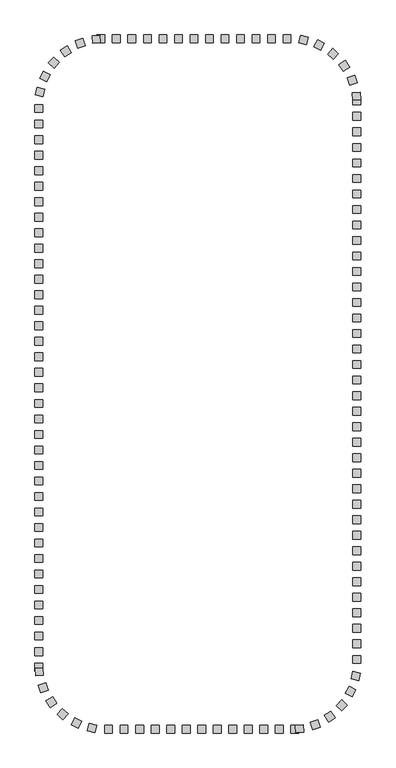
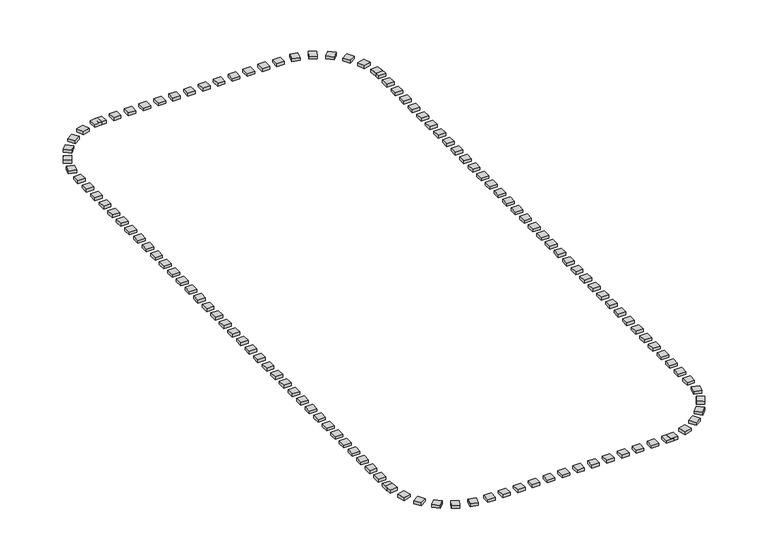
"""IFC4 building model written with IfcOpenShell, lengths in millimetres: railing geometry."""

from ifc_helpers import new_model, si_unit, origin, origin_with_axes, place, context, project, spatial, polyline, outline, extrude, source, transform, mapped, element, save


def railing_e2c04a3e(model_context):
    return source(origin(), model_context, "Body", "SweptSolid", [
        extrude(outline(polyline([(-34627.5176302, 2754.6603569), (-34627.5176302, 2254.6603569), (-35127.5176302, 2254.6603569), (-35127.5176302, 2754.6603569), (-34627.5176302, 2754.6603569)])), origin_with_axes(), (0.0, 0.0, 1.0), 200.0),
        extrude(outline(polyline([(-35627.5176302, 2754.6603569), (-35627.5176302, 2254.6603569), (-36127.5176302, 2254.6603569), (-36127.5176302, 2754.6603569), (-35627.5176302, 2754.6603569)])), origin_with_axes(), (0.0, 0.0, 1.0), 200.0),
        extrude(outline(polyline([(-36627.5176302, 2754.6603569), (-36627.5176302, 2254.6603569), (-37127.5176302, 2254.6603569), (-37127.5176302, 2754.6603569), (-36627.5176302, 2754.6603569)])), origin_with_axes(), (0.0, 0.0, 1.0), 200.0),
        extrude(outline(polyline([(-37627.5176302, 2754.6603569), (-37627.5176302, 2254.6603569), (-38127.5176302, 2254.6603569), (-38127.5176302, 2754.6603569), (-37627.5176302, 2754.6603569)])), origin_with_axes(), (0.0, 0.0, 1.0), 200.0),
        extrude(outline(polyline([(-38627.5176302, 2754.6603569), (-38627.5176302, 2254.6603569), (-39127.5176302, 2254.6603569), (-39127.5176302, 2754.6603569), (-38627.5176302, 2754.6603569)])), origin_with_axes(), (0.0, 0.0, 1.0), 200.0),
        extrude(outline(polyline([(-39627.5176302, 2754.6603569), (-39627.5176302, 2254.6603569), (-40127.5176302, 2254.6603569), (-40127.5176302, 2754.6603569), (-39627.5176302, 2754.6603569)])), origin_with_axes(), (0.0, 0.0, 1.0), 200.0),
        extrude(outline(polyline([(-40627.5176302, 2754.6603569), (-40627.5176302, 2254.6603569), (-41127.5176302, 2254.6603569), (-41127.5176302, 2754.6603569), (-40627.5176302, 2754.6603569)])), origin_with_axes(), (0.0, 0.0, 1.0), 200.0),
        extrude(outline(polyline([(-41627.5176302, 2754.6603569), (-41627.5176302, 2254.6603569), (-42127.5176302, 2254.6603569), (-42127.5176302, 2754.6603569), (-41627.5176302, 2754.6603569)])), origin_with_axes(), (0.0, 0.0, 1.0), 200.0),
        extrude(outline(polyline([(-42627.5176302, 2754.6603569), (-42627.5176302, 2254.6603569), (-43127.5176302, 2254.6603569), (-43127.5176302, 2754.6603569), (-42627.5176302, 2754.6603569)])), origin_with_axes(), (0.0, 0.0, 1.0), 200.0),
        extrude(outline(polyline([(-43627.5176302, 2754.6603569), (-43627.5176302, 2254.6603569), (-44127.5176302, 2254.6603569), (-44127.5176302, 2754.6603569), (-43627.5176302, 2754.6603569)])), origin_with_axes(), (0.0, 0.0, 1.0), 200.0),
        extrude(outline(polyline([(-44627.5176302, 2754.6603569), (-44627.5176302, 2254.6603569), (-45127.5176302, 2254.6603569), (-45127.5176302, 2754.6603569), (-44627.5176302, 2754.6603569)])), origin_with_axes(), (0.0, 0.0, 1.0), 200.0),
        extrude(outline(polyline([(-45945.8350377, 2743.3877966), (-45910.4664368, 2244.6403033), (-46409.2139301, 2209.2717025), (-46444.582531, 2708.0191958), (-45945.8350377, 2743.3877966)])), origin_with_axes(), (0.0, 0.0, 1.0), 200.0),
        extrude(outline(polyline([(-47046.4682609, 2525.091144), (-46888.8070797, 2050.5988343), (-47363.2993894, 1892.9376531), (-47520.9605706, 2367.4299628), (-47046.4682609, 2525.091144)])), origin_with_axes(), (0.0, 0.0, 1.0), 200.0),
        extrude(outline(polyline([(-48058.8780066, 2041.2797885), (-47788.7268536, 1620.5442961), (-48209.462346, 1350.3931432), (-48479.613499, 1771.1286356), (-48058.8780066, 2041.2797885)])), origin_with_axes(), (0.0, 0.0, 1.0), 200.0),
        extrude(outline(polyline([(-48920.1175401, 1322.034777), (-48554.2731056, 981.215397), (-48895.0924857, 615.3709625), (-49260.9369201, 956.1903425), (-48920.1175401, 1322.034777)])), origin_with_axes(), (0.0, 0.0, 1.0), 200.0),
        extrude(outline(polyline([(-49576.6391587, 412.0752806), (-49137.8478777, 172.3625113), (-49377.560647, -266.4287697), (-49816.351928, -26.7160004), (-49576.6391587, 412.0752806)])), origin_with_axes(), (0.0, 0.0, 1.0), 200.0),
        extrude(outline(polyline([(-49987.6235278, -632.0218265), (-49503.167317, -755.7238061), (-49626.8692966, -1240.180017), (-50111.3255075, -1116.4780373), (-49987.6235278, -632.0218265)])), origin_with_axes(), (0.0, 0.0, 1.0), 200.0),
        extrude(outline(polyline([(-50127.5176302, -2745.3396431), (-49627.5176302, -2745.3396431), (-49627.5176302, -3245.3396431), (-50127.5176302, -3245.3396431), (-50127.5176302, -2745.3396431)])), origin_with_axes(), (0.0, 0.0, 1.0), 200.0),
        extrude(outline(polyline([(-50127.5176302, -3745.3396431), (-49627.5176302, -3745.3396431), (-49627.5176302, -4245.3396431), (-50127.5176302, -4245.3396431), (-50127.5176302, -3745.3396431)])), origin_with_axes(), (0.0, 0.0, 1.0), 200.0),
        extrude(outline(polyline([(-50127.5176302, -4745.3396431), (-49627.5176302, -4745.3396431), (-49627.5176302, -5245.3396431), (-50127.5176302, -5245.3396431), (-50127.5176302, -4745.3396431)])), origin_with_axes(), (0.0, 0.0, 1.0), 200.0),
        extrude(outline(polyline([(-50127.5176302, -5745.3396431), (-49627.5176302, -5745.3396431), (-49627.5176302, -6245.3396431), (-50127.5176302, -6245.3396431), (-50127.5176302, -5745.3396431)])), origin_with_axes(), (0.0, 0.0, 1.0), 200.0),
        extrude(outline(polyline([(-50127.5176302, -6745.3396431), (-49627.5176302, -6745.3396431), (-49627.5176302, -7245.3396431), (-50127.5176302, -7245.3396431), (-50127.5176302, -6745.3396431)])), origin_with_axes(), (0.0, 0.0, 1.0), 200.0),
        extrude(outline(polyline([(-50127.5176302, -7745.3396431), (-49627.5176302, -7745.3396431), (-49627.5176302, -8245.3396431), (-50127.5176302, -8245.3396431), (-50127.5176302, -7745.3396431)])), origin_with_axes(), (0.0, 0.0, 1.0), 200.0),
        extrude(outline(polyline([(-50127.5176302, -8745.3396431), (-49627.5176302, -8745.3396431), (-49627.5176302, -9245.3396431), (-50127.5176302, -9245.3396431), (-50127.5176302, -8745.3396431)])), origin_with_axes(), (0.0, 0.0, 1.0), 200.0),
        extrude(outline(polyline([(-50127.5176302, -9745.3396431), (-49627.5176302, -9745.3396431), (-49627.5176302, -10245.3396431), (-50127.5176302, -10245.3396431), (-50127.5176302, -9745.3396431)])), origin_with_axes(), (0.0, 0.0, 1.0), 200.0),
        extrude(outline(polyline([(-50127.5176302, -10745.3396431), (-49627.5176302, -10745.3396431), (-49627.5176302, -11245.3396431), (-50127.5176302, -11245.3396431), (-50127.5176302, -10745.3396431)])), origin_with_axes(), (0.0, 0.0, 1.0), 200.0),
        extrude(outline(polyline([(-50127.5176302, -11745.3396431), (-49627.5176302, -11745.3396431), (-49627.5176302, -12245.3396431), (-50127.5176302, -12245.3396431), (-50127.5176302, -11745.3396431)])), origin_with_axes(), (0.0, 0.0, 1.0), 200.0),
        extrude(outline(polyline([(-50127.5176302, -12745.3396431), (-49627.5176302, -12745.3396431), (-49627.5176302, -13245.3396431), (-50127.5176302, -13245.3396431), (-50127.5176302, -12745.3396431)])), origin_with_axes(), (0.0, 0.0, 1.0), 200.0),
        extrude(outline(polyline([(-50127.5176302, -13745.3396431), (-49627.5176302, -13745.3396431), (-49627.5176302, -14245.3396431), (-50127.5176302, -14245.3396431), (-50127.5176302, -13745.3396431)])), origin_with_axes(), (0.0, 0.0, 1.0), 200.0),
        extrude(outline(polyline([(-50127.5176302, -14745.3396431), (-49627.5176302, -14745.3396431), (-49627.5176302, -15245.3396431), (-50127.5176302, -15245.3396431), (-50127.5176302, -14745.3396431)])), origin_with_axes(), (0.0, 0.0, 1.0), 200.0),
        extrude(outline(polyline([(-50127.5176302, -15745.3396431), (-49627.5176302, -15745.3396431), (-49627.5176302, -16245.3396431), (-50127.5176302, -16245.3396431), (-50127.5176302, -15745.3396431)])), origin_with_axes(), (0.0, 0.0, 1.0), 200.0),
        extrude(outline(polyline([(-50127.5176302, -16745.3396431), (-49627.5176302, -16745.3396431), (-49627.5176302, -17245.3396431), (-50127.5176302, -17245.3396431), (-50127.5176302, -16745.3396431)])), origin_with_axes(), (0.0, 0.0, 1.0), 200.0),
        extrude(outline(polyline([(-50127.5176302, -17745.3396431), (-49627.5176302, -17745.3396431), (-49627.5176302, -18245.3396431), (-50127.5176302, -18245.3396431), (-50127.5176302, -17745.3396431)])), origin_with_axes(), (0.0, 0.0, 1.0), 200.0),
        extrude(outline(polyline([(-50127.5176302, -18745.3396431), (-49627.5176302, -18745.3396431), (-49627.5176302, -19245.3396431), (-50127.5176302, -19245.3396431), (-50127.5176302, -18745.3396431)])), origin_with_axes(), (0.0, 0.0, 1.0), 200.0),
        extrude(outline(polyline([(-50127.5176302, -19745.3396431), (-49627.5176302, -19745.3396431), (-49627.5176302, -20245.3396431), (-50127.5176302, -20245.3396431), (-50127.5176302, -19745.3396431)])), origin_with_axes(), (0.0, 0.0, 1.0), 200.0),
        extrude(outline(polyline([(-50127.5176302, -20745.3396431), (-49627.5176302, -20745.3396431), (-49627.5176302, -21245.3396431), (-50127.5176302, -21245.3396431), (-50127.5176302, -20745.3396431)])), origin_with_axes(), (0.0, 0.0, 1.0), 200.0),
        extrude(outline(polyline([(-50127.5176302, -21745.3396431), (-49627.5176302, -21745.3396431), (-49627.5176302, -22245.3396431), (-50127.5176302, -22245.3396431), (-50127.5176302, -21745.3396431)])), origin_with_axes(), (0.0, 0.0, 1.0), 200.0),
        extrude(outline(polyline([(-50127.5176302, -22745.3396431), (-49627.5176302, -22745.3396431), (-49627.5176302, -23245.3396431), (-50127.5176302, -23245.3396431), (-50127.5176302, -22745.3396431)])), origin_with_axes(), (0.0, 0.0, 1.0), 200.0),
        extrude(outline(polyline([(-50127.5176302, -23745.3396431), (-49627.5176302, -23745.3396431), (-49627.5176302, -24245.3396431), (-50127.5176302, -24245.3396431), (-50127.5176302, -23745.3396431)])), origin_with_axes(), (0.0, 0.0, 1.0), 200.0),
        extrude(outline(polyline([(-50127.5176302, -24745.3396431), (-49627.5176302, -24745.3396431), (-49627.5176302, -25245.3396431), (-50127.5176302, -25245.3396431), (-50127.5176302, -24745.3396431)])), origin_with_axes(), (0.0, 0.0, 1.0), 200.0),
        extrude(outline(polyline([(-50127.5176302, -25745.3396431), (-49627.5176302, -25745.3396431), (-49627.5176302, -26245.3396431), (-50127.5176302, -26245.3396431), (-50127.5176302, -25745.3396431)])), origin_with_axes(), (0.0, 0.0, 1.0), 200.0),
        extrude(outline(polyline([(-50127.5176302, -26745.3396431), (-49627.5176302, -26745.3396431), (-49627.5176302, -27245.3396431), (-50127.5176302, -27245.3396431), (-50127.5176302, -26745.3396431)])), origin_with_axes(), (0.0, 0.0, 1.0), 200.0),
        extrude(outline(polyline([(-50127.5176302, -27745.3396431), (-49627.5176302, -27745.3396431), (-49627.5176302, -28245.3396431), (-50127.5176302, -28245.3396431), (-50127.5176302, -27745.3396431)])), origin_with_axes(), (0.0, 0.0, 1.0), 200.0),
        extrude(outline(polyline([(-50127.5176302, -28745.3396431), (-49627.5176302, -28745.3396431), (-49627.5176302, -29245.3396431), (-50127.5176302, -29245.3396431), (-50127.5176302, -28745.3396431)])), origin_with_axes(), (0.0, 0.0, 1.0), 200.0),
        extrude(outline(polyline([(-50127.5176302, -29745.3396431), (-49627.5176302, -29745.3396431), (-49627.5176302, -30245.3396431), (-50127.5176302, -30245.3396431), (-50127.5176302, -29745.3396431)])), origin_with_axes(), (0.0, 0.0, 1.0), 200.0),
        extrude(outline(polyline([(-50127.5176302, -30745.3396431), (-49627.5176302, -30745.3396431), (-49627.5176302, -31245.3396431), (-50127.5176302, -31245.3396431), (-50127.5176302, -30745.3396431)])), origin_with_axes(), (0.0, 0.0, 1.0), 200.0),
        extrude(outline(polyline([(-50127.5176302, -31745.3396431), (-49627.5176302, -31745.3396431), (-49627.5176302, -32245.3396431), (-50127.5176302, -32245.3396431), (-50127.5176302, -31745.3396431)])), origin_with_axes(), (0.0, 0.0, 1.0), 200.0),
        extrude(outline(polyline([(-50127.5176302, -32745.3396431), (-49627.5176302, -32745.3396431), (-49627.5176302, -33245.3396431), (-50127.5176302, -33245.3396431), (-50127.5176302, -32745.3396431)])), origin_with_axes(), (0.0, 0.0, 1.0), 200.0),
        extrude(outline(polyline([(-50127.5176302, -33745.3396431), (-49627.5176302, -33745.3396431), (-49627.5176302, -34245.3396431), (-50127.5176302, -34245.3396431), (-50127.5176302, -33745.3396431)])), origin_with_axes(), (0.0, 0.0, 1.0), 200.0),
        extrude(outline(polyline([(-50127.5176302, -34745.3396431), (-49627.5176302, -34745.3396431), (-49627.5176302, -35245.3396431), (-50127.5176302, -35245.3396431), (-50127.5176302, -34745.3396431)])), origin_with_axes(), (0.0, 0.0, 1.0), 200.0),
        extrude(outline(polyline([(-50127.5176302, -35745.3396431), (-49627.5176302, -35745.3396431), (-49627.5176302, -36245.3396431), (-50127.5176302, -36245.3396431), (-50127.5176302, -35745.3396431)])), origin_with_axes(), (0.0, 0.0, 1.0), 200.0),
        extrude(outline(polyline([(-50127.5176302, -36745.3396431), (-49627.5176302, -36745.3396431), (-49627.5176302, -37245.3396431), (-50127.5176302, -37245.3396431), (-50127.5176302, -36745.3396431)])), origin_with_axes(), (0.0, 0.0, 1.0), 200.0),
        extrude(outline(polyline([(-50116.2450699, -38063.6570506), (-49617.4975766, -38028.2884498), (-49582.1289757, -38527.0359431), (-50080.876469, -38562.4045439), (-50116.2450699, -38063.6570506)])), origin_with_axes(), (0.0, 0.0, 1.0), 200.0),
        extrude(outline(polyline([(-49897.9484173, -39164.2902739), (-49423.4561076, -39006.6290927), (-49265.7949264, -39481.1214024), (-49740.2872361, -39638.7825836), (-49897.9484173, -39164.2902739)])), origin_with_axes(), (0.0, 0.0, 1.0), 200.0),
        extrude(outline(polyline([(-49414.1370618, -40176.7000195), (-48993.4015694, -39906.5488666), (-48723.2504164, -40327.284359), (-49143.9859089, -40597.4355119), (-49414.1370618, -40176.7000195)])), origin_with_axes(), (0.0, 0.0, 1.0), 200.0),
        extrude(outline(polyline([(-48694.8920503, -41037.9395531), (-48354.0726702, -40672.0951186), (-47988.2282358, -41012.9144986), (-48329.0476158, -41378.7589331), (-48694.8920503, -41037.9395531)])), origin_with_axes(), (0.0, 0.0, 1.0), 200.0),
        extrude(outline(polyline([(-47784.9325539, -41694.4611716), (-47545.2197846, -41255.6698907), (-47106.4285036, -41495.38266), (-47346.1412729, -41934.1739409), (-47784.9325539, -41694.4611716)])), origin_with_axes(), (0.0, 0.0, 1.0), 200.0),
        extrude(outline(polyline([(-46740.8354468, -42105.4455408), (-46617.1334672, -41620.98933), (-46132.6772563, -41744.6913096), (-46256.3792359, -42229.1475205), (-46740.8354468, -42105.4455408)])), origin_with_axes(), (0.0, 0.0, 1.0), 200.0),
        extrude(outline(polyline([(-44627.5176302, -42245.3396431), (-44627.5176302, -41745.3396431), (-44127.5176302, -41745.3396431), (-44127.5176302, -42245.3396431), (-44627.5176302, -42245.3396431)])), origin_with_axes(), (0.0, 0.0, 1.0), 200.0),
        extrude(outline(polyline([(-43627.5176302, -42245.3396431), (-43627.5176302, -41745.3396431), (-43127.5176302, -41745.3396431), (-43127.5176302, -42245.3396431), (-43627.5176302, -42245.3396431)])), origin_with_axes(), (0.0, 0.0, 1.0), 200.0),
        extrude(outline(polyline([(-42627.5176302, -42245.3396431), (-42627.5176302, -41745.3396431), (-42127.5176302, -41745.3396431), (-42127.5176302, -42245.3396431), (-42627.5176302, -42245.3396431)])), origin_with_axes(), (0.0, 0.0, 1.0), 200.0),
        extrude(outline(polyline([(-41627.5176302, -42245.3396431), (-41627.5176302, -41745.3396431), (-41127.5176302, -41745.3396431), (-41127.5176302, -42245.3396431), (-41627.5176302, -42245.3396431)])), origin_with_axes(), (0.0, 0.0, 1.0), 200.0),
        extrude(outline(polyline([(-40627.5176302, -42245.3396431), (-40627.5176302, -41745.3396431), (-40127.5176302, -41745.3396431), (-40127.5176302, -42245.3396431), (-40627.5176302, -42245.3396431)])), origin_with_axes(), (0.0, 0.0, 1.0), 200.0),
        extrude(outline(polyline([(-39627.5176302, -42245.3396431), (-39627.5176302, -41745.3396431), (-39127.5176302, -41745.3396431), (-39127.5176302, -42245.3396431), (-39627.5176302, -42245.3396431)])), origin_with_axes(), (0.0, 0.0, 1.0), 200.0),
        extrude(outline(polyline([(-38627.5176302, -42245.3396431), (-38627.5176302, -41745.3396431), (-38127.5176302, -41745.3396431), (-38127.5176302, -42245.3396431), (-38627.5176302, -42245.3396431)])), origin_with_axes(), (0.0, 0.0, 1.0), 200.0),
        extrude(outline(polyline([(-37627.5176302, -42245.3396431), (-37627.5176302, -41745.3396431), (-37127.5176302, -41745.3396431), (-37127.5176302, -42245.3396431), (-37627.5176302, -42245.3396431)])), origin_with_axes(), (0.0, 0.0, 1.0), 200.0),
        extrude(outline(polyline([(-36627.5176302, -42245.3396431), (-36627.5176302, -41745.3396431), (-36127.5176302, -41745.3396431), (-36127.5176302, -42245.3396431), (-36627.5176302, -42245.3396431)])), origin_with_axes(), (0.0, 0.0, 1.0), 200.0),
        extrude(outline(polyline([(-35627.5176302, -42245.3396431), (-35627.5176302, -41745.3396431), (-35127.5176302, -41745.3396431), (-35127.5176302, -42245.3396431), (-35627.5176302, -42245.3396431)])), origin_with_axes(), (0.0, 0.0, 1.0), 200.0),
        extrude(outline(polyline([(-34627.5176302, -42245.3396431), (-34627.5176302, -41745.3396431), (-34127.5176302, -41745.3396431), (-34127.5176302, -42245.3396431), (-34627.5176302, -42245.3396431)])), origin_with_axes(), (0.0, 0.0, 1.0), 200.0),
        extrude(outline(polyline([(-33309.2002226, -42234.0670828), (-33344.5688235, -41735.3195895), (-32845.8213302, -41699.9509887), (-32810.4527293, -42198.698482), (-33309.2002226, -42234.0670828)])), origin_with_axes(), (0.0, 0.0, 1.0), 200.0),
        extrude(outline(polyline([(-32208.5669994, -42015.7704302), (-32366.2281806, -41541.2781206), (-31891.7358709, -41383.6169394), (-31734.0746897, -41858.109249), (-32208.5669994, -42015.7704302)])), origin_with_axes(), (0.0, 0.0, 1.0), 200.0),
        extrude(outline(polyline([(-31196.1572537, -41531.9590748), (-31466.3084067, -41111.2235824), (-31045.5729143, -40841.0724294), (-30775.4217613, -41261.8079218), (-31196.1572537, -41531.9590748)])), origin_with_axes(), (0.0, 0.0, 1.0), 200.0),
        extrude(outline(polyline([(-30334.9177202, -40812.7140632), (-30700.7621547, -40471.8946832), (-30359.9427746, -40106.0502488), (-29994.0983402, -40446.8696288), (-30334.9177202, -40812.7140632)])), origin_with_axes(), (0.0, 0.0, 1.0), 200.0),
        extrude(outline(polyline([(-29678.3961016, -39902.7545668), (-30117.1873826, -39663.0417975), (-29877.4746133, -39224.2505166), (-29438.6833323, -39463.9632859), (-29678.3961016, -39902.7545668)])), origin_with_axes(), (0.0, 0.0, 1.0), 200.0),
        extrude(outline(polyline([(-29267.4117325, -38858.6574598), (-29751.8679433, -38734.9554801), (-29628.1659637, -38250.4992693), (-29143.7097528, -38374.2012489), (-29267.4117325, -38858.6574598)])), origin_with_axes(), (0.0, 0.0, 1.0), 200.0),
        extrude(outline(polyline([(-29127.5176302, -36745.3396431), (-29627.5176302, -36745.3396431), (-29627.5176302, -36245.3396431), (-29127.5176302, -36245.3396431), (-29127.5176302, -36745.3396431)])), origin_with_axes(), (0.0, 0.0, 1.0), 200.0),
        extrude(outline(polyline([(-29127.5176302, -35745.3396431), (-29627.5176302, -35745.3396431), (-29627.5176302, -35245.3396431), (-29127.5176302, -35245.3396431), (-29127.5176302, -35745.3396431)])), origin_with_axes(), (0.0, 0.0, 1.0), 200.0),
        extrude(outline(polyline([(-29127.5176302, -34745.3396431), (-29627.5176302, -34745.3396431), (-29627.5176302, -34245.3396431), (-29127.5176302, -34245.3396431), (-29127.5176302, -34745.3396431)])), origin_with_axes(), (0.0, 0.0, 1.0), 200.0),
        extrude(outline(polyline([(-29127.5176302, -33745.3396431), (-29627.5176302, -33745.3396431), (-29627.5176302, -33245.3396431), (-29127.5176302, -33245.3396431), (-29127.5176302, -33745.3396431)])), origin_with_axes(), (0.0, 0.0, 1.0), 200.0),
        extrude(outline(polyline([(-29127.5176302, -32745.3396431), (-29627.5176302, -32745.3396431), (-29627.5176302, -32245.3396431), (-29127.5176302, -32245.3396431), (-29127.5176302, -32745.3396431)])), origin_with_axes(), (0.0, 0.0, 1.0), 200.0),
        extrude(outline(polyline([(-29127.5176302, -31745.3396431), (-29627.5176302, -31745.3396431), (-29627.5176302, -31245.3396431), (-29127.5176302, -31245.3396431), (-29127.5176302, -31745.3396431)])), origin_with_axes(), (0.0, 0.0, 1.0), 200.0),
        extrude(outline(polyline([(-29127.5176302, -30745.3396431), (-29627.5176302, -30745.3396431), (-29627.5176302, -30245.3396431), (-29127.5176302, -30245.3396431), (-29127.5176302, -30745.3396431)])), origin_with_axes(), (0.0, 0.0, 1.0), 200.0),
        extrude(outline(polyline([(-29127.5176302, -29745.3396431), (-29627.5176302, -29745.3396431), (-29627.5176302, -29245.3396431), (-29127.5176302, -29245.3396431), (-29127.5176302, -29745.3396431)])), origin_with_axes(), (0.0, 0.0, 1.0), 200.0),
        extrude(outline(polyline([(-29127.5176302, -28745.3396431), (-29627.5176302, -28745.3396431), (-29627.5176302, -28245.3396431), (-29127.5176302, -28245.3396431), (-29127.5176302, -28745.3396431)])), origin_with_axes(), (0.0, 0.0, 1.0), 200.0),
        extrude(outline(polyline([(-29127.5176302, -27745.3396431), (-29627.5176302, -27745.3396431), (-29627.5176302, -27245.3396431), (-29127.5176302, -27245.3396431), (-29127.5176302, -27745.3396431)])), origin_with_axes(), (0.0, 0.0, 1.0), 200.0),
        extrude(outline(polyline([(-29127.5176302, -26745.3396431), (-29627.5176302, -26745.3396431), (-29627.5176302, -26245.3396431), (-29127.5176302, -26245.3396431), (-29127.5176302, -26745.3396431)])), origin_with_axes(), (0.0, 0.0, 1.0), 200.0),
        extrude(outline(polyline([(-29127.5176302, -25745.3396431), (-29627.5176302, -25745.3396431), (-29627.5176302, -25245.3396431), (-29127.5176302, -25245.3396431), (-29127.5176302, -25745.3396431)])), origin_with_axes(), (0.0, 0.0, 1.0), 200.0),
        extrude(outline(polyline([(-29127.5176302, -24745.3396431), (-29627.5176302, -24745.3396431), (-29627.5176302, -24245.3396431), (-29127.5176302, -24245.3396431), (-29127.5176302, -24745.3396431)])), origin_with_axes(), (0.0, 0.0, 1.0), 200.0),
        extrude(outline(polyline([(-29127.5176302, -23745.3396431), (-29627.5176302, -23745.3396431), (-29627.5176302, -23245.3396431), (-29127.5176302, -23245.3396431), (-29127.5176302, -23745.3396431)])), origin_with_axes(), (0.0, 0.0, 1.0), 200.0),
        extrude(outline(polyline([(-29127.5176302, -22745.3396431), (-29627.5176302, -22745.3396431), (-29627.5176302, -22245.3396431), (-29127.5176302, -22245.3396431), (-29127.5176302, -22745.3396431)])), origin_with_axes(), (0.0, 0.0, 1.0), 200.0),
        extrude(outline(polyline([(-29127.5176302, -21745.3396431), (-29627.5176302, -21745.3396431), (-29627.5176302, -21245.3396431), (-29127.5176302, -21245.3396431), (-29127.5176302, -21745.3396431)])), origin_with_axes(), (0.0, 0.0, 1.0), 200.0),
        extrude(outline(polyline([(-29127.5176302, -20745.3396431), (-29627.5176302, -20745.3396431), (-29627.5176302, -20245.3396431), (-29127.5176302, -20245.3396431), (-29127.5176302, -20745.3396431)])), origin_with_axes(), (0.0, 0.0, 1.0), 200.0),
        extrude(outline(polyline([(-29127.5176302, -19745.3396431), (-29627.5176302, -19745.3396431), (-29627.5176302, -19245.3396431), (-29127.5176302, -19245.3396431), (-29127.5176302, -19745.3396431)])), origin_with_axes(), (0.0, 0.0, 1.0), 200.0),
        extrude(outline(polyline([(-29127.5176302, -18745.3396431), (-29627.5176302, -18745.3396431), (-29627.5176302, -18245.3396431), (-29127.5176302, -18245.3396431), (-29127.5176302, -18745.3396431)])), origin_with_axes(), (0.0, 0.0, 1.0), 200.0),
        extrude(outline(polyline([(-29127.5176302, -17745.3396431), (-29627.5176302, -17745.3396431), (-29627.5176302, -17245.3396431), (-29127.5176302, -17245.3396431), (-29127.5176302, -17745.3396431)])), origin_with_axes(), (0.0, 0.0, 1.0), 200.0),
        extrude(outline(polyline([(-29127.5176302, -16745.3396431), (-29627.5176302, -16745.3396431), (-29627.5176302, -16245.3396431), (-29127.5176302, -16245.3396431), (-29127.5176302, -16745.3396431)])), origin_with_axes(), (0.0, 0.0, 1.0), 200.0),
        extrude(outline(polyline([(-29127.5176302, -15745.3396431), (-29627.5176302, -15745.3396431), (-29627.5176302, -15245.3396431), (-29127.5176302, -15245.3396431), (-29127.5176302, -15745.3396431)])), origin_with_axes(), (0.0, 0.0, 1.0), 200.0),
        extrude(outline(polyline([(-29127.5176302, -14745.3396431), (-29627.5176302, -14745.3396431), (-29627.5176302, -14245.3396431), (-29127.5176302, -14245.3396431), (-29127.5176302, -14745.3396431)])), origin_with_axes(), (0.0, 0.0, 1.0), 200.0),
        extrude(outline(polyline([(-29127.5176302, -13745.3396431), (-29627.5176302, -13745.3396431), (-29627.5176302, -13245.3396431), (-29127.5176302, -13245.3396431), (-29127.5176302, -13745.3396431)])), origin_with_axes(), (0.0, 0.0, 1.0), 200.0),
        extrude(outline(polyline([(-29127.5176302, -12745.3396431), (-29627.5176302, -12745.3396431), (-29627.5176302, -12245.3396431), (-29127.5176302, -12245.3396431), (-29127.5176302, -12745.3396431)])), origin_with_axes(), (0.0, 0.0, 1.0), 200.0),
        extrude(outline(polyline([(-29127.5176302, -11745.3396431), (-29627.5176302, -11745.3396431), (-29627.5176302, -11245.3396431), (-29127.5176302, -11245.3396431), (-29127.5176302, -11745.3396431)])), origin_with_axes(), (0.0, 0.0, 1.0), 200.0),
        extrude(outline(polyline([(-29127.5176302, -10745.3396431), (-29627.5176302, -10745.3396431), (-29627.5176302, -10245.3396431), (-29127.5176302, -10245.3396431), (-29127.5176302, -10745.3396431)])), origin_with_axes(), (0.0, 0.0, 1.0), 200.0),
        extrude(outline(polyline([(-29127.5176302, -9745.3396431), (-29627.5176302, -9745.3396431), (-29627.5176302, -9245.3396431), (-29127.5176302, -9245.3396431), (-29127.5176302, -9745.3396431)])), origin_with_axes(), (0.0, 0.0, 1.0), 200.0),
        extrude(outline(polyline([(-29127.5176302, -8745.3396431), (-29627.5176302, -8745.3396431), (-29627.5176302, -8245.3396431), (-29127.5176302, -8245.3396431), (-29127.5176302, -8745.3396431)])), origin_with_axes(), (0.0, 0.0, 1.0), 200.0),
        extrude(outline(polyline([(-29127.5176302, -7745.3396431), (-29627.5176302, -7745.3396431), (-29627.5176302, -7245.3396431), (-29127.5176302, -7245.3396431), (-29127.5176302, -7745.3396431)])), origin_with_axes(), (0.0, 0.0, 1.0), 200.0),
        extrude(outline(polyline([(-29127.5176302, -6745.3396431), (-29627.5176302, -6745.3396431), (-29627.5176302, -6245.3396431), (-29127.5176302, -6245.3396431), (-29127.5176302, -6745.3396431)])), origin_with_axes(), (0.0, 0.0, 1.0), 200.0),
        extrude(outline(polyline([(-29127.5176302, -5745.3396431), (-29627.5176302, -5745.3396431), (-29627.5176302, -5245.3396431), (-29127.5176302, -5245.3396431), (-29127.5176302, -5745.3396431)])), origin_with_axes(), (0.0, 0.0, 1.0), 200.0),
        extrude(outline(polyline([(-29127.5176302, -4745.3396431), (-29627.5176302, -4745.3396431), (-29627.5176302, -4245.3396431), (-29127.5176302, -4245.3396431), (-29127.5176302, -4745.3396431)])), origin_with_axes(), (0.0, 0.0, 1.0), 200.0),
        extrude(outline(polyline([(-29127.5176302, -3745.3396431), (-29627.5176302, -3745.3396431), (-29627.5176302, -3245.3396431), (-29127.5176302, -3245.3396431), (-29127.5176302, -3745.3396431)])), origin_with_axes(), (0.0, 0.0, 1.0), 200.0),
        extrude(outline(polyline([(-29127.5176302, -2745.3396431), (-29627.5176302, -2745.3396431), (-29627.5176302, -2245.3396431), (-29127.5176302, -2245.3396431), (-29127.5176302, -2745.3396431)])), origin_with_axes(), (0.0, 0.0, 1.0), 200.0),
        extrude(outline(polyline([(-29138.7901904, -1427.0222356), (-29637.5376837, -1462.3908365), (-29672.9062846, -963.6433432), (-29174.1587913, -928.2747423), (-29138.7901904, -1427.0222356)])), origin_with_axes(), (0.0, 0.0, 1.0), 200.0),
        extrude(outline(polyline([(-29357.0868431, -326.3890124), (-29831.5791527, -484.0501935), (-29989.2403339, -9.5578839), (-29514.7480242, 148.1032973), (-29357.0868431, -326.3890124)])), origin_with_axes(), (0.0, 0.0, 1.0), 200.0),
        extrude(outline(polyline([(-29840.8981985, 686.0207333), (-30261.6336909, 415.8695803), (-30531.7848439, 836.6050727), (-30111.0493514, 1106.7562257), (-29840.8981985, 686.0207333)])), origin_with_axes(), (0.0, 0.0, 1.0), 200.0),
        extrude(outline(polyline([(-30560.14321, 1547.2602668), (-30900.9625901, 1181.4158324), (-31266.8070245, 1522.2352124), (-30925.9876445, 1888.0796468), (-30560.14321, 1547.2602668)])), origin_with_axes(), (0.0, 0.0, 1.0), 200.0),
        extrude(outline(polyline([(-31470.1027064, 2203.7818854), (-31709.8154757, 1764.9906044), (-32148.6067567, 2004.7033737), (-31908.8939874, 2443.4946547), (-31470.1027064, 2203.7818854)])), origin_with_axes(), (0.0, 0.0, 1.0), 200.0),
        extrude(outline(polyline([(-32514.1998135, 2614.7662546), (-32637.9017931, 2130.3100437), (-33122.358004, 2254.0120233), (-32998.6560244, 2738.4682342), (-32514.1998135, 2614.7662546)])), origin_with_axes(), (0.0, 0.0, 1.0), 200.0),
        extrude(outline(polyline([(-33627.5176302, 2754.6603569), (-33627.5176302, 2254.6603569), (-34127.5176302, 2254.6603569), (-34127.5176302, 2754.6603569), (-33627.5176302, 2754.6603569)])), origin_with_axes(), (0.0, 0.0, 1.0), 200.0),
        extrude(outline(polyline([(-45627.5176302, 2754.6603569), (-45627.5176302, 2254.6603569), (-46127.5176302, 2254.6603569), (-46127.5176302, 2754.6603569), (-45627.5176302, 2754.6603569)])), origin_with_axes(), (0.0, 0.0, 1.0), 200.0),
        extrude(outline(polyline([(-50127.5176302, -1745.3396431), (-49627.5176302, -1745.3396431), (-49627.5176302, -2245.3396431), (-50127.5176302, -2245.3396431), (-50127.5176302, -1745.3396431)])), origin_with_axes(), (0.0, 0.0, 1.0), 200.0),
        extrude(outline(polyline([(-50127.5176302, -37745.3396431), (-49627.5176302, -37745.3396431), (-49627.5176302, -38245.3396431), (-50127.5176302, -38245.3396431), (-50127.5176302, -37745.3396431)])), origin_with_axes(), (0.0, 0.0, 1.0), 200.0),
        extrude(outline(polyline([(-45627.5176302, -42245.3396431), (-45627.5176302, -41745.3396431), (-45127.5176302, -41745.3396431), (-45127.5176302, -42245.3396431), (-45627.5176302, -42245.3396431)])), origin_with_axes(), (0.0, 0.0, 1.0), 200.0),
        extrude(outline(polyline([(-33627.5176302, -42245.3396431), (-33627.5176302, -41745.3396431), (-33127.5176302, -41745.3396431), (-33127.5176302, -42245.3396431), (-33627.5176302, -42245.3396431)])), origin_with_axes(), (0.0, 0.0, 1.0), 200.0),
        extrude(outline(polyline([(-29127.5176302, -37745.3396431), (-29627.5176302, -37745.3396431), (-29627.5176302, -37245.3396431), (-29127.5176302, -37245.3396431), (-29127.5176302, -37745.3396431)])), origin_with_axes(), (0.0, 0.0, 1.0), 200.0),
        extrude(outline(polyline([(-29127.5176302, -1745.3396431), (-29627.5176302, -1745.3396431), (-29627.5176302, -1245.3396431), (-29127.5176302, -1245.3396431), (-29127.5176302, -1745.3396431)])), origin_with_axes(), (0.0, 0.0, 1.0), 200.0),
    ])


if __name__ == "__main__":
    model = new_model("IFC4")
    model_context = context("Model", 3, world=origin())
    ifc_project = project(units=[si_unit("LENGTHUNIT", "METRE", prefix="MILLI")], contexts=[model_context])
    site = spatial("IfcSite", under=ifc_project)
    building = spatial("IfcBuilding", under=site)
    placement = place(None, origin())
    railing_shape = railing_e2c04a3e(model_context)
    element("IfcRailing", 1, at=placement, inside=building, context=model_context, shape_type="MappedRepresentation", body=[
        mapped(railing_shape, transform((0.0, 0.0, 0.0), x_axis=(1.0, 0.0, 0.0), y_axis=(0.0, 1.0, 0.0), z_axis=(0.0, 0.0, 1.0))),
    ])
    save(model, "model.ifc")
